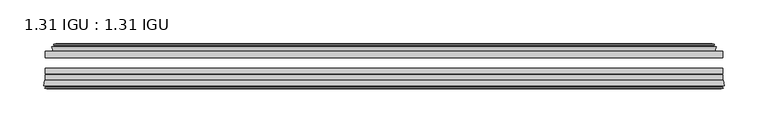
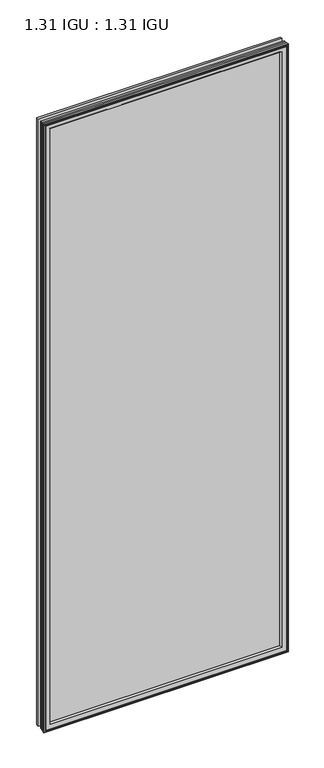
"""IFC4 building model written with IfcOpenShell, lengths in millimetres: plate geometry, 1.31 IGU : 1.31 IGU."""

from ifc_helpers import new_model, si_unit, frame, origin, place, context, project, spatial, polyline, ellipse_curve, outline, extrude, faceted_brep, source, transform, mapped, element, save
from ifc_brep_helpers import plane_surface, revolved_surface, advanced_brep


def plate_1_31_igu_1_31_igu_9e01f121(model_context):
    return source(origin(), model_context, "Body", "SolidModel", [
        extrude(outline(polyline([(386.5221354, -17.9712937), (386.5221354, -25.8960937), (-386.5221354, -25.8960937), (-386.5221354, -17.9712937), (386.5221354, -17.9712937)])), frame((0.0, 0.0, -19.05), z_axis=(0.0, 0.0, 1.0), x_axis=(1.0, 0.0, 0.0)), (0.0, 0.0, 1.0), 2032.0),
        extrude(outline(polyline([(-386.5221354, -51.2960937), (-386.5221354, -44.9460937), (386.5221354, -44.9460937), (386.5221354, -51.2960937), (-386.5221354, -51.2960937)])), frame((0.0, 0.0, -19.05), z_axis=(0.0, 0.0, 1.0), x_axis=(1.0, 0.0, 0.0)), (0.0, 0.0, 1.0), 2032.0),
        extrude(outline(polyline([(-386.5221354, -44.1586938), (-386.5221354, -37.8086938), (386.5221354, -37.8086938), (386.5221354, -44.1586938), (-386.5221354, -44.1586938)])), frame((0.0, 0.0, -19.05), z_axis=(0.0, 0.0, 1.0), x_axis=(1.0, 0.0, 0.0)), (0.0, 0.0, 1.0), 2032.0),
        faceted_brep([(-377.6035358, -17.9712937, 2004.0314005), (-379.2477691, -13.1960937, 2005.6756337), (-379.2477691, -13.1960937, -11.7756337), (-377.6035358, -17.9712937, -10.1314005), (-367.9928354, -13.1960937, 1994.4207), (-366.8234048, -17.9712937, 1993.2512695), (-366.8234048, -17.9712937, 0.6487305), (-367.9928354, -13.1960937, -0.5207), (-373.5575556, -10.902778, 1999.9854203), (-372.9430635, -13.1960937, 1999.3709281), (-372.9430635, -13.1960937, -5.4709281), (-373.5575556, -10.902778, -6.0854203), (-372.1653063, -11.27583, 1998.5931709), (-372.1653063, -11.27583, -4.6931709), (-371.933989, -10.4125422, 1998.3618537), (-371.933989, -10.4125422, -4.4618537), (-374.3428354, -9.7670937, 2000.7707), (-374.3428354, -9.7670937, -6.8707), (-376.7516817, -10.4125422, 2003.1795463), (-376.7516817, -10.4125422, -9.2795463), (-376.5203644, -11.27583, 2002.9482291), (-376.5203644, -11.27583, -9.0482291), (-375.1335368, -10.9042307, 2001.5614014), (-375.1335368, -10.9042307, -7.6614014), (-375.8782082, -13.1960937, 2002.3060729), (-375.8782082, -13.1960937, -8.4060729), (379.2477691, -13.1960937, -11.7756337), (377.6035358, -17.9712937, -10.1314005), (366.8234048, -17.9712937, 0.6487305), (367.9928354, -13.1960937, -0.5207), (372.9430635, -13.1960937, -5.4709281), (373.5575556, -10.902778, -6.0854203), (372.1653063, -11.27583, -4.6931709), (371.933989, -10.4125422, -4.4618537), (374.3428354, -9.7670937, -6.8707), (376.7516817, -10.4125422, -9.2795463), (376.5203644, -11.27583, -9.0482291), (375.1335368, -10.9042307, -7.6614014), (375.8782082, -13.1960937, -8.4060729), (379.2477691, -13.1960937, 2005.6756337), (377.6035358, -17.9712937, 2004.0314005), (366.8234048, -17.9712937, 1993.2512695), (367.9928354, -13.1960937, 1994.4207), (372.9430635, -13.1960937, 1999.3709281), (373.5575556, -10.902778, 1999.9854203), (372.1653063, -11.27583, 1998.5931709), (371.933989, -10.4125422, 1998.3618537), (374.3428354, -9.7670937, 2000.7707), (376.7516817, -10.4125422, 2003.1795463), (376.5203644, -11.27583, 2002.9482291), (375.1335368, -10.9042307, 2001.5614014), (375.8782082, -13.1960937, 2002.3060729)], [[[0, 1, 2, 3]], [[4, 5, 6, 7]], [[8, 9, 10, 11]], [[12, 8, 11, 13]], [[14, 12, 13, 15]], [[16, 14, 15, 17]], [[18, 16, 17, 19]], [[20, 18, 19, 21]], [[22, 20, 21, 23]], [[24, 22, 23, 25]], [[3, 2, 26, 27]], [[7, 6, 28, 29]], [[11, 10, 30, 31]], [[13, 11, 31, 32]], [[15, 13, 32, 33]], [[17, 15, 33, 34]], [[19, 17, 34, 35]], [[21, 19, 35, 36]], [[23, 21, 36, 37]], [[25, 23, 37, 38]], [[27, 26, 39, 40]], [[29, 28, 41, 42]], [[31, 30, 43, 44]], [[32, 31, 44, 45]], [[33, 32, 45, 46]], [[34, 33, 46, 47]], [[35, 34, 47, 48]], [[36, 35, 48, 49]], [[37, 36, 49, 50]], [[38, 37, 50, 51]], [[40, 39, 1, 0]], [[3, 27, 40, 0], [5, 41, 28, 6]], [[42, 41, 5, 4]], [[9, 43, 30, 10], [7, 29, 42, 4]], [[44, 43, 9, 8]], [[45, 44, 8, 12]], [[46, 45, 12, 14]], [[47, 46, 14, 16]], [[48, 47, 16, 18]], [[49, 48, 18, 20]], [[50, 49, 20, 22]], [[51, 50, 22, 24]], [[1, 39, 26, 2], [25, 38, 51, 24]]]),
        advanced_brep(
        [(-363.8348204, -51.2960937, 1990.2626851), (-367.4721354, -57.6460937, 1993.9), (-367.4721354, -57.6460937, 0.0), (-363.8348204, -51.2960937, 3.6373149), (-388.1179137, -57.6460937, 2014.5457783), (-387.3382317, -51.2960937, 2013.7660964), (-387.3382317, -51.2960937, -19.8660964), (-388.1179137, -57.6460937, -20.6457783), (-385.7179098, -59.6558685, 2012.1457744), (-386.1769366, -57.6460937, 2012.6048013), (-386.1769366, -57.6460937, -18.7048013), (-385.7179098, -59.6558685, -18.2457744), (-386.7015941, -59.3738016, 2013.1294588), (-386.7015941, -59.3738016, -19.2294588), (-386.9550786, -60.2578071, 2013.3829433), (-386.9550786, -60.2578071, -19.4829433), (-384.9321351, -60.8378768, 2011.3599998), (-384.9321351, -60.8378768, -17.4599998), (-382.8884743, -60.2902795, 2009.3163389), (-382.8884743, -60.2902795, -15.4163389), (-383.1333436, -59.3764147, 2009.5612083), (-383.1333436, -59.3764147, -15.6612083), (-384.1559774, -59.6504286, 2010.5838421), (-384.1559774, -59.6504286, -16.6838421), (-383.6932403, -57.6460937, 2010.1211049), (-383.6932403, -57.6460937, -16.2211049), (367.4721354, -57.6460938, 0.0), (363.8348204, -51.2960937, 3.6373149), (387.3382317, -51.2960937, -19.8660964), (388.1179137, -57.6460938, -20.6457783), (386.1769366, -57.6460938, -18.7048013), (385.7179098, -59.6558685, -18.2457744), (386.7015941, -59.3738016, -19.2294588), (386.9550786, -60.2578071, -19.4829433), (384.9321351, -60.8378768, -17.4599998), (382.8884743, -60.2902795, -15.4163389), (383.1333436, -59.3764147, -15.6612083), (384.1559774, -59.6504286, -16.6838421), (383.6932403, -57.6460938, -16.2211049), (367.4721354, -57.6460938, 1993.9), (363.8348204, -51.2960937, 1990.2626851), (387.3382317, -51.2960937, 2013.7660964), (388.1179137, -57.6460938, 2014.5457783), (386.1769366, -57.6460938, 2012.6048013), (385.7179098, -59.6558685, 2012.1457744), (386.7015941, -59.3738016, 2013.1294588), (386.9550786, -60.2578071, 2013.3829433), (384.9321351, -60.8378768, 2011.3599998), (382.8884743, -60.2902795, 2009.3163389), (383.1333436, -59.3764147, 2009.5612083), (384.1559774, -59.6504286, 2010.5838421), (383.6932403, -57.6460938, 2010.1211049)],
        [
            (0, 1, ellipse_curve(frame((-359.0411903, -58.2586484, 1985.469055), z_axis=(0.7071067811865475, 0.0, 0.7071067811865475), x_axis=(0.7071067811865474, 0.0, -0.7071067811865476)), 11.9545855, 8.4531685)),
            (1, 2),
            (2, 3, ellipse_curve(frame((-359.0411903, -58.2586484, 8.430945), z_axis=(0.7071067811865475, 0.0, -0.7071067811865475), x_axis=(-0.7071067811865474, 0.0, -0.7071067811865476)), 11.9545855, 8.4531685)),
            (3, 0),
            (4, 5),
            (5, 6),
            (6, 7),
            (7, 4),
            (8, 9),
            (9, 10),
            (10, 11),
            (11, 8),
            (12, 8),
            (11, 13),
            (13, 12),
            (14, 12),
            (13, 15),
            (15, 14),
            (16, 14),
            (15, 17),
            (17, 16),
            (18, 16),
            (17, 19),
            (19, 18),
            (20, 18),
            (19, 21),
            (21, 20),
            (22, 20),
            (21, 23),
            (23, 22),
            (24, 22),
            (23, 25),
            (25, 24),
            (2, 26),
            (26, 27, ellipse_curve(frame((359.0411903, -58.2586484, 8.430945), z_axis=(0.7071067811865475, 0.0, 0.7071067811865475), x_axis=(0.7071067811865476, 0.0, -0.7071067811865474)), 11.9545855, 8.4531685)),
            (27, 3),
            (6, 28),
            (28, 29),
            (29, 7),
            (10, 30),
            (30, 31),
            (31, 11),
            (31, 32),
            (32, 13),
            (32, 33),
            (33, 15),
            (33, 34),
            (34, 17),
            (34, 35),
            (35, 19),
            (35, 36),
            (36, 21),
            (36, 37),
            (37, 23),
            (37, 38),
            (38, 25),
            (26, 39),
            (39, 40, ellipse_curve(frame((359.0411903, -58.2586484, 1985.469055), z_axis=(-0.7071067811865475, 0.0, 0.7071067811865475), x_axis=(0.7071067811865474, 0.0, 0.7071067811865476)), 11.9545855, 8.4531685)),
            (40, 27),
            (28, 41),
            (41, 42),
            (42, 29),
            (30, 43),
            (43, 44),
            (44, 31),
            (44, 45),
            (45, 32),
            (45, 46),
            (46, 33),
            (46, 47),
            (47, 34),
            (47, 48),
            (48, 35),
            (48, 49),
            (49, 36),
            (49, 50),
            (50, 37),
            (50, 51),
            (51, 38),
            (51, 24),
            (1, 39),
            (0, 40),
            (5, 41),
            (4, 42),
            (9, 43),
            (8, 44),
            (12, 45),
            (14, 46),
            (16, 47),
            (18, 48),
            (20, 49),
            (22, 50),
        ],
        [
            revolved_surface(polyline([(-367.4943588, -58.2586484, -0.02222347332440222), (-367.4943588, -58.2586484, 1993.9222234733245)]), (-359.0411903, -58.2586484, 2025.65), (0.0, 0.0, -1.0)),
            plane_surface(frame((-387.3382317, -51.2960937, 2013.7660964), z_axis=(-0.9925461516413234, 0.12186934340513635, 0.0), x_axis=(0.0, 0.0, -1.0))),
            plane_surface(frame((-386.1769366, -57.6460937, 2012.6048013), z_axis=(-0.9748953990049444, -0.22266333555165796, 0.0), x_axis=(0.0, 0.0, -1.0))),
            plane_surface(frame((-385.7179098, -59.6558685, 2012.1457744), z_axis=(0.27563735581726606, 0.9612616959382424, 0.0), x_axis=(0.0, 0.0, -1.0))),
            plane_surface(frame((-386.7015941, -59.3738016, 2013.1294588), z_axis=(-0.9612616959382463, 0.2756373558172523, 0.0), x_axis=(0.0, 0.0, -1.0))),
            plane_surface(frame((-386.9550786, -60.2578071, 2013.3829433), z_axis=(-0.2756373558170135, -0.9612616959383148, 0.0), x_axis=(0.0, 0.0, -1.0))),
            plane_surface(frame((-384.9321351, -60.8378768, 2011.3599998), z_axis=(0.25881904510226056, -0.965925826289138, 0.0), x_axis=(0.0, 0.0, -1.0))),
            plane_surface(frame((-382.8884743, -60.2902795, 2009.3163389), z_axis=(0.9659258262891444, 0.25881904510223736, 0.0), x_axis=(0.0, 0.0, -1.0))),
            plane_surface(frame((-383.1333436, -59.3764147, 2009.5612083), z_axis=(-0.2588190451025015, 0.9659258262890735, 0.0), x_axis=(0.0, 0.0, -1.0))),
            plane_surface(frame((-384.1559774, -59.6504286, 2010.5838421), z_axis=(0.9743700647852117, -0.22495105434396692, 0.0), x_axis=(0.0, 0.0, -1.0))),
            revolved_surface(polyline([(367.49435877332434, -58.2586484, -0.02222350000000084), (-367.49435877332434, -58.2586484, -0.02222350000000084)]), (-399.2221354, -58.2586484, 8.430945), (1.0, 0.0, 0.0)),
            plane_surface(frame((-387.3382317, -51.2960937, -19.8660964), z_axis=(0.0, 0.12186934340513315, -0.9925461516413239), x_axis=(1.0, 0.0, 0.0))),
            plane_surface(frame((-386.1769366, -57.6460937, -18.7048013), z_axis=(0.0, -0.2226633355516611, -0.9748953990049437), x_axis=(1.0, 0.0, 0.0))),
            plane_surface(frame((-385.7179098, -59.6558685, -18.2457744), z_axis=(0.0, 0.9612616959382433, 0.27563735581726295), x_axis=(1.0, 0.0, 0.0))),
            plane_surface(frame((-386.7015941, -59.3738016, -19.2294588), z_axis=(0.0, 0.2756373558172492, -0.9612616959382472), x_axis=(1.0, 0.0, 0.0))),
            plane_surface(frame((-386.9550786, -60.2578071, -19.4829433), z_axis=(0.0, -0.9612616959383157, -0.2756373558170104), x_axis=(1.0, 0.0, 0.0))),
            plane_surface(frame((-384.9321351, -60.8378768, -17.4599998), z_axis=(0.0, -0.9659258262891373, 0.2588190451022637), x_axis=(1.0, 0.0, 0.0))),
            plane_surface(frame((-382.8884743, -60.2902795, -15.4163389), z_axis=(0.0, 0.25881904510224046, 0.9659258262891435), x_axis=(1.0, 0.0, 0.0))),
            plane_surface(frame((-383.1333436, -59.3764147, -15.6612083), z_axis=(0.0, 0.9659258262890726, -0.2588190451025046), x_axis=(1.0, 0.0, 0.0))),
            plane_surface(frame((-384.1559774, -59.6504286, -16.6838421), z_axis=(0.0, -0.22495105434396379, 0.9743700647852125), x_axis=(1.0, 0.0, 0.0))),
            revolved_surface(polyline([(367.4943588, -58.2586484, 1993.9222234733245), (367.4943588, -58.2586484, -0.022223473324370246)]), (359.0411903, -58.2586484, -31.75), (0.0, 0.0, 1.0)),
            plane_surface(frame((387.3382317, -51.2960937, -19.8660964), z_axis=(0.9925461516413243, 0.12186934340512996, 0.0), x_axis=(0.0, 0.0, 1.0))),
            plane_surface(frame((386.1769366, -57.6460938, -18.7048013), z_axis=(0.974895399004943, -0.22266333555166423, 0.0), x_axis=(0.0, 0.0, 1.0))),
            plane_surface(frame((385.7179098, -59.6558685, -18.2457744), z_axis=(-0.27563735581725984, 0.9612616959382442, 0.0), x_axis=(0.0, 0.0, 1.0))),
            plane_surface(frame((386.7015941, -59.3738016, -19.2294588), z_axis=(0.9612616959382481, 0.2756373558172461, 0.0), x_axis=(0.0, 0.0, 1.0))),
            plane_surface(frame((386.9550786, -60.2578071, -19.4829433), z_axis=(0.27563735581700727, -0.9612616959383166, 0.0), x_axis=(0.0, 0.0, 1.0))),
            plane_surface(frame((384.9321351, -60.8378768, -17.4599998), z_axis=(-0.25881904510226683, -0.9659258262891364, 0.0), x_axis=(0.0, 0.0, 1.0))),
            plane_surface(frame((382.8884743, -60.2902795, -15.4163389), z_axis=(-0.9659258262891426, 0.2588190451022436, 0.0), x_axis=(0.0, 0.0, 1.0))),
            plane_surface(frame((383.1333436, -59.3764147, -15.6612083), z_axis=(0.2588190451025077, 0.9659258262890718, 0.0), x_axis=(0.0, 0.0, 1.0))),
            plane_surface(frame((384.1559774, -59.6504286, -16.6838421), z_axis=(-0.9743700647852133, -0.22495105434396065, 0.0), x_axis=(0.0, 0.0, 1.0))),
            plane_surface(frame((383.6932403, -57.6460938, 2010.1211049), z_axis=(0.0, -1.0, 0.0), x_axis=(-1.0, 0.0, 0.0))),
            revolved_surface(polyline([(-367.49435877332434, -58.2586484, 1993.9222235), (367.49435877332434, -58.2586484, 1993.9222235)]), (399.2221354, -58.2586484, 1985.469055), (-1.0, 0.0, 0.0)),
            plane_surface(frame((363.8348204, -51.2960937, 1990.2626851), z_axis=(0.0, 1.0, 0.0), x_axis=(-1.0, 0.0, 0.0))),
            plane_surface(frame((387.3382317, -51.2960937, 2013.7660964), z_axis=(0.0, 0.12186934340513315, 0.9925461516413239), x_axis=(-1.0, 0.0, 0.0))),
            plane_surface(frame((388.1179137, -57.6460938, 2014.5457783), z_axis=(0.0, -1.0, 0.0), x_axis=(-1.0, 0.0, 0.0))),
            plane_surface(frame((386.1769366, -57.6460938, 2012.6048013), z_axis=(0.0, -0.2226633355516611, 0.9748953990049437), x_axis=(-1.0, 0.0, 0.0))),
            plane_surface(frame((385.7179098, -59.6558685, 2012.1457744), z_axis=(0.0, 0.9612616959382433, -0.27563735581726295), x_axis=(-1.0, 0.0, 0.0))),
            plane_surface(frame((386.7015941, -59.3738016, 2013.1294588), z_axis=(0.0, 0.2756373558172492, 0.9612616959382472), x_axis=(-1.0, 0.0, 0.0))),
            plane_surface(frame((386.9550786, -60.2578071, 2013.3829433), z_axis=(0.0, -0.9612616959383157, 0.2756373558170104), x_axis=(-1.0, 0.0, 0.0))),
            plane_surface(frame((384.9321351, -60.8378768, 2011.3599998), z_axis=(0.0, -0.9659258262891373, -0.2588190451022637), x_axis=(-1.0, 0.0, 0.0))),
            plane_surface(frame((382.8884743, -60.2902795, 2009.3163389), z_axis=(0.0, 0.25881904510224046, -0.9659258262891435), x_axis=(-1.0, 0.0, 0.0))),
            plane_surface(frame((383.1333436, -59.3764147, 2009.5612083), z_axis=(0.0, 0.9659258262890726, 0.2588190451025046), x_axis=(-1.0, 0.0, 0.0))),
            plane_surface(frame((384.1559774, -59.6504286, 2010.5838421), z_axis=(0.0, -0.22495105434396379, -0.9743700647852125), x_axis=(-1.0, 0.0, 0.0))),
        ],
        [
            (0, [[1, 2, 3, 4]]),
            (1, [[5, 6, 7, 8]]),
            (2, [[9, 10, 11, 12]]),
            (3, [[13, -12, 14, 15]]),
            (4, [[16, -15, 17, 18]]),
            (5, [[19, -18, 20, 21]]),
            (6, [[22, -21, 23, 24]]),
            (7, [[25, -24, 26, 27]]),
            (8, [[28, -27, 29, 30]]),
            (9, [[31, -30, 32, 33]]),
            (10, [[-3, 34, 35, 36]]),
            (11, [[-7, 37, 38, 39]]),
            (12, [[-11, 40, 41, 42]]),
            (13, [[-14, -42, 43, 44]]),
            (14, [[-17, -44, 45, 46]]),
            (15, [[-20, -46, 47, 48]]),
            (16, [[-23, -48, 49, 50]]),
            (17, [[-26, -50, 51, 52]]),
            (18, [[-29, -52, 53, 54]]),
            (19, [[-32, -54, 55, 56]]),
            (20, [[-35, 57, 58, 59]]),
            (21, [[-38, 60, 61, 62]]),
            (22, [[-41, 63, 64, 65]]),
            (23, [[-43, -65, 66, 67]]),
            (24, [[-45, -67, 68, 69]]),
            (25, [[-47, -69, 70, 71]]),
            (26, [[-49, -71, 72, 73]]),
            (27, [[-51, -73, 74, 75]]),
            (28, [[-53, -75, 76, 77]]),
            (29, [[-55, -77, 78, 79]]),
            (30, [[-56, -79, 80, -33], [81, -57, -34, -2]]),
            (31, [[-58, -81, -1, 82]]),
            (32, [[83, -60, -37, -6], [-36, -59, -82, -4]]),
            (33, [[-61, -83, -5, 84]]),
            (34, [[-39, -62, -84, -8], [85, -63, -40, -10]]),
            (35, [[-64, -85, -9, 86]]),
            (36, [[-66, -86, -13, 87]]),
            (37, [[-68, -87, -16, 88]]),
            (38, [[-70, -88, -19, 89]]),
            (39, [[-72, -89, -22, 90]]),
            (40, [[-74, -90, -25, 91]]),
            (41, [[-76, -91, -28, 92]]),
            (42, [[-78, -92, -31, -80]]),
        ],
    ),
    ])


if __name__ == "__main__":
    model = new_model("IFC4")
    model_context = context("Model", 3, world=origin())
    ifc_project = project(units=[si_unit("LENGTHUNIT", "METRE", prefix="MILLI")], contexts=[model_context])
    site = spatial("IfcSite", under=ifc_project)
    building = spatial("IfcBuilding", under=site)
    placement = place(None, origin())
    plate_1_31_igu_1_31_igu_shape = plate_1_31_igu_1_31_igu_9e01f121(model_context)
    element("IfcPlate", 1, ObjectType="1.31 IGU : 1.31 IGU", at=placement, inside=building, context=model_context, shape_type="MappedRepresentation", body=[
        mapped(plate_1_31_igu_1_31_igu_shape, transform((0.0, 0.0, 0.0), x_axis=(1.0, 0.0, 0.0), y_axis=(0.0, 1.0, 0.0), z_axis=(0.0, 0.0, 1.0))),
    ])
    save(model, "model.ifc")
